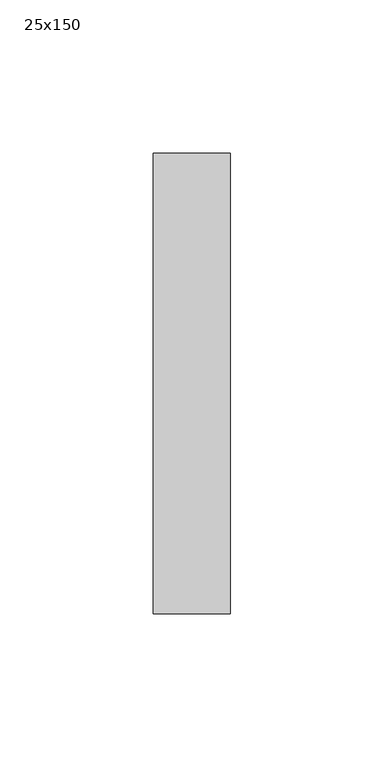
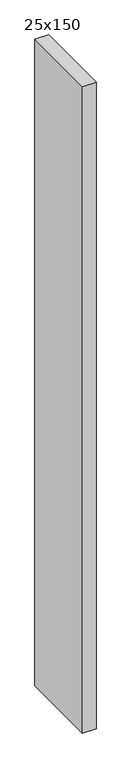
"""IFC4 building model written with IfcOpenShell, lengths in millimetres: member geometry, 25x150."""

from ifc_helpers import new_model, si_unit, frame, origin, place, context, project, spatial, polyline, outline, extrude, source, transform, mapped, element, save


def member_25x150_bae5e528(model_context):
    return source(origin(), model_context, "Body", "SweptSolid", [
        extrude(outline(polyline([(0.0, 75.0), (0.0, -75.0), (-25.0, -75.0), (-25.0, 75.0), (0.0, 75.0)])), frame((0.0, 0.0, -1246.861911), z_axis=(0.0, 0.0, 1.0), x_axis=(1.0, 0.0, 0.0)), (0.0, 0.0, 1.0), 1246.861911),
    ])


if __name__ == "__main__":
    model = new_model("IFC4")
    model_context = context("Model", 3, world=origin())
    ifc_project = project(units=[si_unit("LENGTHUNIT", "METRE", prefix="MILLI")], contexts=[model_context])
    site = spatial("IfcSite", under=ifc_project)
    building = spatial("IfcBuilding", under=site)
    placement = place(None, origin())
    member_25x150_shape = member_25x150_bae5e528(model_context)
    element("IfcMember", 1, ObjectType="25x150", at=placement, inside=building, context=model_context, shape_type="MappedRepresentation", body=[
        mapped(member_25x150_shape, transform((0.0, 0.0, 0.0), x_axis=(1.0, 0.0, 0.0), y_axis=(0.0, 1.0, 0.0), z_axis=(0.0, 0.0, 1.0))),
    ])
    save(model, "model.ifc")
